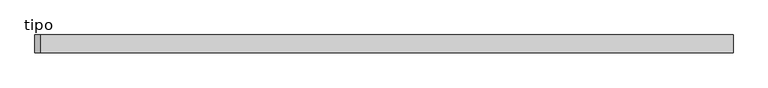
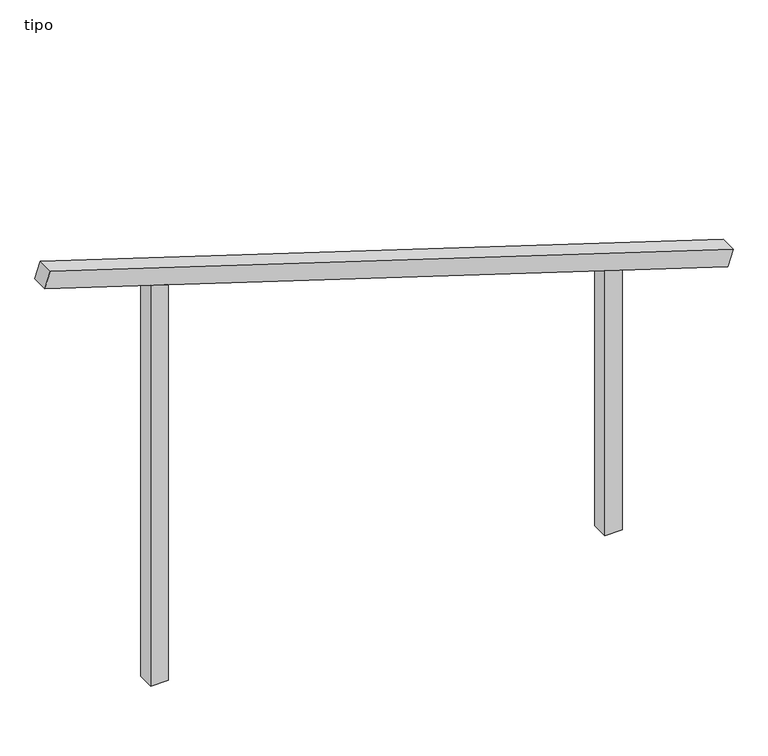
"""IFC4 building model written with IfcOpenShell, lengths in millimetres: proxy geometry, tipo."""

from ifc_helpers import new_model, si_unit, frame, origin, place, context, project, spatial, polyline, outline, extrude, source, transform, mapped, element, save


def tipo_51873763(model_context):
    return source(origin(), model_context, "Body", "SweptSolid", [
        extrude(outline(polyline([(0.0, -4100.0), (0.0, 0.0), (100.0, 0.0), (100.0, -4100.0), (0.0, -4100.0)])), frame((-1954.6656591, -100.0, 2617.885233), z_axis=(0.3014074307476627, 0.0, 0.9534954434553387), x_axis=(0.0, 1.0, 0.0)), (0.0, 0.0, 1.0), 100.0),
        extrude(outline(polyline([(1573.2543513, 1350.0), (1604.8651401, 1250.0), (0.0, 1250.0), (0.0, 1350.0), (1573.2543513, 1350.0)])), frame((0.0, -100.0, 0.0), z_axis=(0.0, 1.0, 0.0), x_axis=(0.0, 0.0, 1.0)), (0.0, 0.0, 1.0), 100.0),
        extrude(outline(polyline([(2426.7456487, -1350.0), (0.0, -1350.0), (0.0, -1250.0), (2395.1348599, -1250.0), (2426.7456487, -1350.0)])), frame((0.0, -100.0, 0.0), z_axis=(0.0, 1.0, 0.0), x_axis=(0.0, 0.0, 1.0)), (0.0, 0.0, 1.0), 100.0),
    ])


if __name__ == "__main__":
    model = new_model("IFC4")
    model_context = context("Model", 3, world=origin())
    ifc_project = project(units=[si_unit("LENGTHUNIT", "METRE", prefix="MILLI")], contexts=[model_context])
    site = spatial("IfcSite", under=ifc_project)
    building = spatial("IfcBuilding", under=site)
    placement = place(None, origin())
    tipo_shape = tipo_51873763(model_context)
    element("IfcBuildingElementProxy", 1, Name="tipo", ObjectType="tipo", at=placement, inside=building, context=model_context, shape_type="MappedRepresentation", body=[
        mapped(tipo_shape, transform((0.0, 0.0, 0.0), x_axis=(1.0, 0.0, 0.0), y_axis=(0.0, 1.0, 0.0), z_axis=(0.0, 0.0, 1.0))),
    ])
    save(model, "model.ifc")
